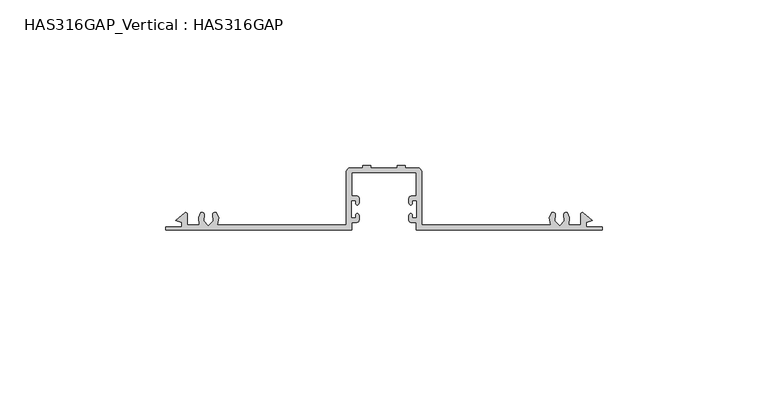
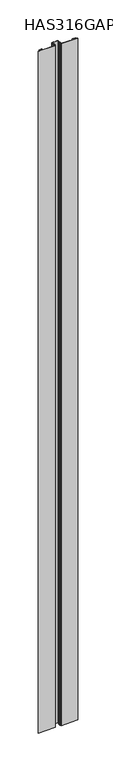
"""IFC4 building model written with IfcOpenShell, lengths in millimetres: beam geometry, HAS316GAP_Vertical : HAS316GAP."""

import ifcopenshell
import ifcopenshell.guid

model = None  # the IFC model being written
_history = None  # IfcOwnerHistory: only IFC2X3 demands one
_inside = {}  # id of a spatial element -> (the spatial element, [elements in it])
_under = {}  # id of a project, library or spatial element -> (it, [spatial elements below it])
_declared = {}  # id of a project -> (the project, [libraries it declares])
_typed = {}  # id of a type object -> (the type object, [elements of that type])
_made_of = {}  # id of a material, layer set ... -> (it, [elements and type objects made of it])


def new_model(schema):
    """Start an empty IFC model of exactly this schema.

    Asked for "IFC4X3", IfcOpenShell would pick the latest addendum, in which some entities
    have other attributes; the version numbers below select the first issue.
    IFC2X3 requires an IfcOwnerHistory on every rooted entity: one is made here for all.
    """
    global model, _history
    if schema == "IFC4X3":
        model = ifcopenshell.file(schema_version=(4, 3, 0, 0))
    else:
        model = ifcopenshell.file(schema=schema)
    _inside.clear()
    _under.clear()
    _declared.clear()
    _typed.clear()
    _made_of.clear()
    _history = None
    if model.schema == "IFC2X3":
        org = make("IfcOrganization", Name="unknown")
        user = make(
            "IfcPersonAndOrganization",
            ThePerson=make("IfcPerson", FamilyName="unknown"),
            TheOrganization=org,
        )
        app = make(
            "IfcApplication",
            ApplicationDeveloper=org,
            Version="unknown",
            ApplicationFullName="unknown",
            ApplicationIdentifier="unknown",
        )
        _history = make(
            "IfcOwnerHistory",
            OwningUser=user,
            OwningApplication=app,
            ChangeAction="ADDED",
            CreationDate=0,
        )
    return model


def make(cls, **values):
    """One entity of the class cls with the attributes given. An attribute that is None is left unset."""
    return model.create_entity(
        cls, **{name: value for name, value in values.items() if value is not None}
    )


def rooted(cls, **values):
    """An entity with a GlobalId (a new one), such as an element, a storey or a relation."""
    return make(cls, GlobalId=ifcopenshell.guid.new(), OwnerHistory=_history, **values)


def si_unit(unit_type, name, prefix=None):
    """IfcSIUnit, for example si_unit("LENGTHUNIT", "METRE", prefix="MILLI")."""
    return make("IfcSIUnit", UnitType=unit_type, Prefix=prefix, Name=name)


def assignment(units):
    """IfcUnitAssignment: the units of a project."""
    return None if units is None else make("IfcUnitAssignment", Units=units)


def point(xyz):
    """IfcCartesianPoint."""
    return None if xyz is None else make("IfcCartesianPoint", Coordinates=xyz)


def direction(xyz):
    """IfcDirection."""
    return None if xyz is None else make("IfcDirection", DirectionRatios=xyz)


def frame(location, z_axis=None, x_axis=None):
    """IfcAxis2Placement3D, a coordinate frame: its origin and axes. An axis left out is left unset."""
    return make(
        "IfcAxis2Placement3D",
        Location=point(location),
        Axis=direction(z_axis),
        RefDirection=direction(x_axis),
    )


def frame_2d(location, x_axis=None):
    """IfcAxis2Placement2D, a coordinate frame in the plane: its origin and x axis."""
    return make(
        "IfcAxis2Placement2D", Location=point(location), RefDirection=direction(x_axis)
    )


def origin():
    """The frame at (0, 0, 0) with its axes left unset."""
    return frame((0.0, 0.0, 0.0))


def place(relative_to, where):
    """IfcLocalPlacement: puts the frame where relative to a parent placement (None: the world)."""
    return make(
        "IfcLocalPlacement", PlacementRelTo=relative_to, RelativePlacement=where
    )


def context(
    kind, dimensions, precision=None, world=None, true_north=None, identifier=None
):
    """IfcGeometricRepresentationContext, for example the 3D "Model" context."""
    return make(
        "IfcGeometricRepresentationContext",
        ContextIdentifier=identifier,
        ContextType=kind,
        CoordinateSpaceDimension=dimensions,
        Precision=precision,
        WorldCoordinateSystem=world,
        TrueNorth=true_north,
    )


def project(units=None, contexts=None):
    """IfcProject with its units and contexts."""
    return rooted(
        "IfcProject",
        Name="project",
        RepresentationContexts=contexts,
        UnitsInContext=assignment(units),
    )


def spatial(cls, under=None, at=None, **own):
    """A site, building, storey or space (cls), placed at a placement, below another one or the project."""
    s = rooted(cls, ObjectPlacement=at, **own)
    if under is not None:
        _under.setdefault(under.id(), (under, []))[1].append(s)
    return s


def polyline(points):
    """IfcPolyline through the points."""
    return make("IfcPolyline", Points=[point(p) for p in points])


def circle_curve(where, radius):
    """IfcCircle in the frame where."""
    return make("IfcCircle", Position=where, Radius=radius)


def trimmed(basis, trim1, trim2, sense, master):
    """IfcTrimmedCurve: the piece of a basis curve between two trims."""
    return make(
        "IfcTrimmedCurve",
        BasisCurve=basis,
        Trim1=trim1,
        Trim2=trim2,
        SenseAgreement=sense,
        MasterRepresentation=master,
    )


def segment(curve, same_sense, transition):
    """IfcCompositeCurveSegment."""
    return make(
        "IfcCompositeCurveSegment",
        Transition=transition,
        SameSense=same_sense,
        ParentCurve=curve,
    )


def composite_curve(segments, self_intersect=None):
    """IfcCompositeCurve: segments joined end to end."""
    return make("IfcCompositeCurve", Segments=segments, SelfIntersect=self_intersect)


def outline(outer, holes=None, kind="AREA"):
    """IfcArbitraryClosedProfileDef: a profile drawn as a closed curve; with holes, ...WithVoids."""
    if holes is None:
        return make("IfcArbitraryClosedProfileDef", ProfileType=kind, OuterCurve=outer)
    return make(
        "IfcArbitraryProfileDefWithVoids",
        ProfileType=kind,
        OuterCurve=outer,
        InnerCurves=holes,
    )


def extrude(swept, where, along, depth):
    """IfcExtrudedAreaSolid: the profile swept, set in the frame where, extruded along a direction by depth."""
    return make(
        "IfcExtrudedAreaSolid",
        SweptArea=swept,
        Position=where,
        ExtrudedDirection=direction(along),
        Depth=depth,
    )


def shape(context_of_items, identifier, shape_type, items):
    """IfcShapeRepresentation: the items that make up one representation, for example the "Body"."""
    return make(
        "IfcShapeRepresentation",
        ContextOfItems=context_of_items,
        RepresentationIdentifier=identifier,
        RepresentationType=shape_type,
        Items=items,
    )


def source(mapping_origin, context_of_items, identifier, shape_type, items):
    """IfcRepresentationMap: a shape defined once, which mapped items show again and again."""
    return make(
        "IfcRepresentationMap",
        MappingOrigin=mapping_origin,
        MappedRepresentation=shape(context_of_items, identifier, shape_type, items),
    )


def transform(
    local_origin,
    x_axis=None,
    y_axis=None,
    z_axis=None,
    scale=None,
    scale2=None,
    scale3=None,
    uniform=True,
):
    """IfcCartesianTransformationOperator3D, or its non-uniform kind. x_axis, y_axis, z_axis: its Axis1, 2, 3."""
    if uniform:
        return make(
            "IfcCartesianTransformationOperator3D",
            Axis1=direction(x_axis),
            Axis2=direction(y_axis),
            LocalOrigin=point(local_origin),
            Scale=scale,
            Axis3=direction(z_axis),
        )
    return make(
        "IfcCartesianTransformationOperator3DnonUniform",
        Axis1=direction(x_axis),
        Axis2=direction(y_axis),
        LocalOrigin=point(local_origin),
        Scale=scale,
        Axis3=direction(z_axis),
        Scale2=scale2,
        Scale3=scale3,
    )


def mapped(mapping_source, mapping_target):
    """IfcMappedItem: shows the shape of a source again, moved by a transform."""
    return make(
        "IfcMappedItem", MappingSource=mapping_source, MappingTarget=mapping_target
    )


def made_of(thing, what):
    """Note that an element or type object is made of a material, layer set ...; save() writes the relation."""
    if what is not None:
        _made_of.setdefault(what.id(), (what, []))[1].append(thing)
    return thing


def element(
    cls,
    number,
    at=None,
    inside=None,
    cuts=None,
    type_object=None,
    material=None,
    context=None,
    identifier="Body",
    shape_type=None,
    held_by="IfcProductDefinitionShape",
    body=None,
    shapes=None,
    **own,
):
    """One element of the class cls, such as IfcWall. Its Tag is "e" and its number.

    at: its placement. inside: the storey or other place that contains it. cuts: it is an
    opening in that element (IfcRelVoidsElement). A single representation is given by context,
    identifier, shape_type and body (its items); several are given by shapes. held_by: the class
    of the entity that holds the representations. save() writes the other relations.
    """
    e = rooted(cls, Tag="e%d" % number, ObjectPlacement=at, **own)
    if body is not None:
        shapes = [shape(context, identifier, shape_type, body)]
    if shapes is not None:
        e.Representation = make(held_by, Representations=shapes)
    if inside is not None:
        _inside.setdefault(inside.id(), (inside, []))[1].append(e)
    if cuts is not None:
        rooted(
            "IfcRelVoidsElement", RelatingBuildingElement=cuts, RelatedOpeningElement=e
        )
    if type_object is not None:
        _typed.setdefault(type_object.id(), (type_object, []))[1].append(e)
    return made_of(e, material)


def aggregate(whole, parts):
    """IfcRelAggregates: a whole, such as a stair, and the parts it consists of."""
    return rooted("IfcRelAggregates", RelatingObject=whole, RelatedObjects=parts)


def save(model, path):
    """Write the relations noted so far, then the file.

    IfcRelAggregates (storeys below a building ...), IfcRelContainedInSpatialStructure (elements
    in a storey), IfcRelDefinesByType, IfcRelAssociatesMaterial and IfcRelDeclares: one each for
    every whole, place, type object, material and project.
    """
    for whole, parts in _under.values():
        aggregate(whole, parts)
    for where, things in _inside.values():
        rooted(
            "IfcRelContainedInSpatialStructure",
            RelatedElements=things,
            RelatingStructure=where,
        )
    for kind, things in _typed.values():
        rooted("IfcRelDefinesByType", RelatedObjects=things, RelatingType=kind)
    for what, things in _made_of.values():
        rooted("IfcRelAssociatesMaterial", RelatedObjects=things, RelatingMaterial=what)
    for by, libraries in _declared.values():
        rooted("IfcRelDeclares", RelatingContext=by, RelatedDefinitions=libraries)
    model.write(path)


def has316gap_vertical_has316gap_c75c4f47(model_context):
    return source(origin(), model_context, "Body", "SweptSolid", [
        extrude(outline(composite_curve([segment(polyline([(7.5458937, 2.9423627), (7.5458937, 4.4135266)]), True, "CONTINUOUS"), segment(trimmed(circle_curve(frame_2d((8.0772947, 4.4135266)), 0.531401), [point((7.5458937, 4.4135266))], [point((8.6086957, 4.4135266))], False, "CARTESIAN"), True, "CONTINUOUS"), segment(polyline([(8.6086957, 4.4135266), (8.6086957, 3.6135266), (9.884058, 3.6135266), (9.884058, 8.9275362), (8.6086957, 8.9275362), (8.6086957, 8.1275362)]), True, "CONTINUOUS"), segment(trimmed(circle_curve(frame_2d((8.0772947, 8.1275362)), 0.531401), [point((8.6086957, 8.1275362))], [point((7.5458937, 8.1275362))], False, "CARTESIAN"), True, "CONTINUOUS"), segment(polyline([(7.5458937, 8.1275362), (7.5458937, 9.5798049)]), True, "CONTINUOUS"), segment(trimmed(circle_curve(frame_2d((8.1689874, 9.5798049)), 0.6230937), [point((7.5458937, 9.5798049))], [point((8.1689874, 10.2028986))], False, "CARTESIAN"), True, "CONTINUOUS"), segment(polyline([(8.1689874, 10.2028986), (9.6714976, 10.2028986), (9.6714976, 17.4299517), (-9.6714976, 17.4299517), (-9.6714976, 10.2028986), (-8.1338284, 10.2028986)]), True, "CONTINUOUS"), segment(trimmed(circle_curve(frame_2d((-8.1338284, 9.6149639)), 0.5879346), [point((-8.1338284, 10.2028986))], [point((-7.5458937, 9.6149639))], False, "CARTESIAN"), True, "CONTINUOUS"), segment(polyline([(-7.5458937, 9.6149639), (-7.5458937, 8.1275362)]), True, "CONTINUOUS"), segment(trimmed(circle_curve(frame_2d((-8.0772947, 8.1275362)), 0.531401), [point((-7.5458937, 8.1275362))], [point((-8.6086957, 8.1275362))], False, "CARTESIAN"), True, "CONTINUOUS"), segment(polyline([(-8.6086957, 8.1275362), (-8.6086957, 8.9275362), (-9.884058, 8.9275362), (-9.884058, 3.6135266), (-8.6086957, 3.6135266), (-8.6086957, 4.4135266)]), True, "CONTINUOUS"), segment(trimmed(circle_curve(frame_2d((-8.0772947, 4.4135266)), 0.531401), [point((-8.6086957, 4.4135266))], [point((-7.5458937, 4.4135266))], False, "CARTESIAN"), True, "CONTINUOUS"), segment(polyline([(-7.5458937, 4.4135266), (-7.5458937, 2.9559908)]), True, "CONTINUOUS"), segment(trimmed(circle_curve(frame_2d((-8.1637203, 2.9559908)), 0.6178266), [point((-7.5458937, 2.9559908))], [point((-8.1637203, 2.3381643))], False, "CARTESIAN"), True, "CONTINUOUS"), segment(polyline([(-8.1637203, 2.3381643), (-9.6714976, 2.3381643), (-9.6714976, 0.0), (-66.0, 0.0), (-66.0, 0.8502415), (-61.1111111, 0.8502415), (-61.1111111, 2.3381643), (-62.906687, 2.9366895), (-60.2608696, 5.1014493)]), True, "CONTINUOUS"), segment(trimmed(circle_curve(frame_2d((-59.9306418, 4.6978376)), 0.5214909), [point((-60.2608696, 5.1014493))], [point((-59.410628, 4.73706))], False, "CARTESIAN"), True, "CONTINUOUS"), segment(polyline([(-59.410628, 4.73706), (-59.410628, 1.4879227), (-55.7498658, 1.4879227), (-56.0096618, 3.826087), (-55.3719807, 5.3140097)]), True, "CONTINUOUS"), segment(trimmed(circle_curve(frame_2d((-55.1014493, 4.5628019)), 0.7984362), [point((-55.3719807, 5.3140097))], [point((-54.3091787, 4.4637681))], False, "CARTESIAN"), True, "CONTINUOUS"), segment(polyline([(-54.3091787, 4.4637681), (-54.5217391, 2.763285), (-53.0338164, 1.2753623), (-51.5458937, 2.763285), (-51.7584541, 4.4637681)]), True, "CONTINUOUS"), segment(trimmed(circle_curve(frame_2d((-50.9661836, 4.5628019)), 0.7984362), [point((-51.7584541, 4.4637681))], [point((-50.6956522, 5.3140097))], False, "CARTESIAN"), True, "CONTINUOUS"), segment(polyline([(-50.6956522, 5.3140097), (-49.8454106, 3.826087), (-50.3650027, 1.4879227), (-11.3719807, 1.4879227), (-11.3719807, 17.5269117)]), True, "CONTINUOUS"), segment(trimmed(circle_curve(frame_2d((-10.1433368, 17.5269117)), 1.2286439), [point((-11.3719807, 17.5269117))], [point((-10.1433368, 18.7555556))], False, "CARTESIAN"), True, "CONTINUOUS"), segment(polyline([(-10.1433368, 18.7555556), (-6.4830918, 18.7555556), (-6.4830918, 19.5555556), (-3.9323671, 19.5555556), (-3.9323671, 18.7555556), (3.9323671, 18.7555556), (3.9323671, 19.5555556), (6.4830918, 19.5555556), (6.4830918, 18.7555556), (10.1273311, 18.7555556)]), True, "CONTINUOUS"), segment(trimmed(circle_curve(frame_2d((10.1273311, 17.5109059)), 1.2446496), [point((10.1273311, 18.7555556))], [point((11.3719807, 17.5109059))], False, "CARTESIAN"), True, "CONTINUOUS"), segment(polyline([(11.3719807, 17.5109059), (11.3719807, 1.4879227), (50.3650027, 1.4879227), (49.8454106, 3.826087), (50.6956522, 5.3140097)]), True, "CONTINUOUS"), segment(trimmed(circle_curve(frame_2d((50.9661836, 4.5628019)), 0.7984362), [point((50.6956522, 5.3140097))], [point((51.7584541, 4.4637681))], False, "CARTESIAN"), True, "CONTINUOUS"), segment(polyline([(51.7584541, 4.4637681), (51.5458937, 2.763285), (53.0338164, 1.2753623), (54.5217391, 2.763285), (54.3091787, 4.4637681)]), True, "CONTINUOUS"), segment(trimmed(circle_curve(frame_2d((55.1014493, 4.5628019)), 0.7984362), [point((54.3091787, 4.4637681))], [point((55.3719807, 5.3140097))], False, "CARTESIAN"), True, "CONTINUOUS"), segment(polyline([(55.3719807, 5.3140097), (56.0096618, 3.826087), (55.7498658, 1.4879227), (59.410628, 1.4879227), (59.410628, 4.73706)]), True, "CONTINUOUS"), segment(trimmed(circle_curve(frame_2d((59.9306418, 4.6978376)), 0.5214909), [point((59.410628, 4.73706))], [point((60.2608696, 5.1014493))], False, "CARTESIAN"), True, "CONTINUOUS"), segment(polyline([(60.2608696, 5.1014493), (62.906687, 2.9366895), (61.1111111, 2.3381643), (61.1111111, 0.8502415), (66.0, 0.8502415), (66.0, 0.0), (9.6714976, 0.0), (9.6714976, 2.3381643), (8.1500921, 2.3381643)]), True, "CONTINUOUS"), segment(trimmed(circle_curve(frame_2d((8.1500921, 2.9423627)), 0.6041984), [point((8.1500921, 2.3381643))], [point((7.5458937, 2.9423627))], False, "CARTESIAN"), True, "CONTINUOUS")], self_intersect=False)), frame((0.0, 0.0, -1200.0), z_axis=(0.0, 0.0, 1.0), x_axis=(1.0, 0.0, 0.0)), (0.0, 0.0, 1.0), 2400.0),
    ])


if __name__ == "__main__":
    model = new_model("IFC4")
    model_context = context("Model", 3, world=origin())
    ifc_project = project(units=[si_unit("LENGTHUNIT", "METRE", prefix="MILLI")], contexts=[model_context])
    site = spatial("IfcSite", under=ifc_project)
    building = spatial("IfcBuilding", under=site)
    placement = place(None, origin())
    has316gap_vertical_has316gap_shape = has316gap_vertical_has316gap_c75c4f47(model_context)
    element("IfcBeam", 1, ObjectType="HAS316GAP_Vertical : HAS316GAP", at=placement, inside=building, context=model_context, shape_type="MappedRepresentation", body=[
        mapped(has316gap_vertical_has316gap_shape, transform((0.0, 0.0, 0.0), x_axis=(1.0, 0.0, 0.0), y_axis=(0.0, 1.0, 0.0), z_axis=(0.0, 0.0, 1.0))),
    ])
    save(model, "model.ifc")
